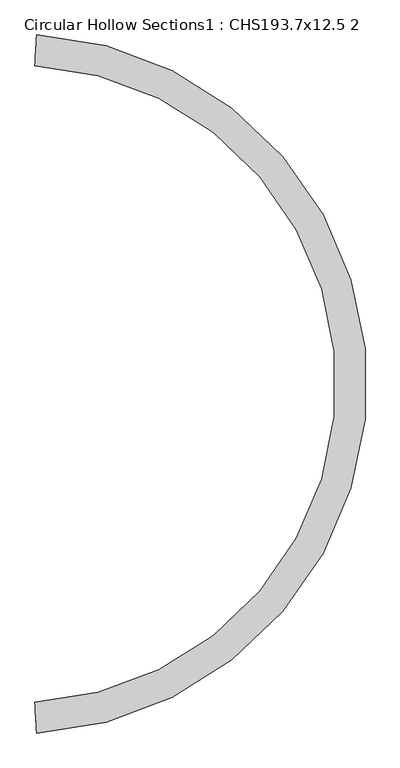
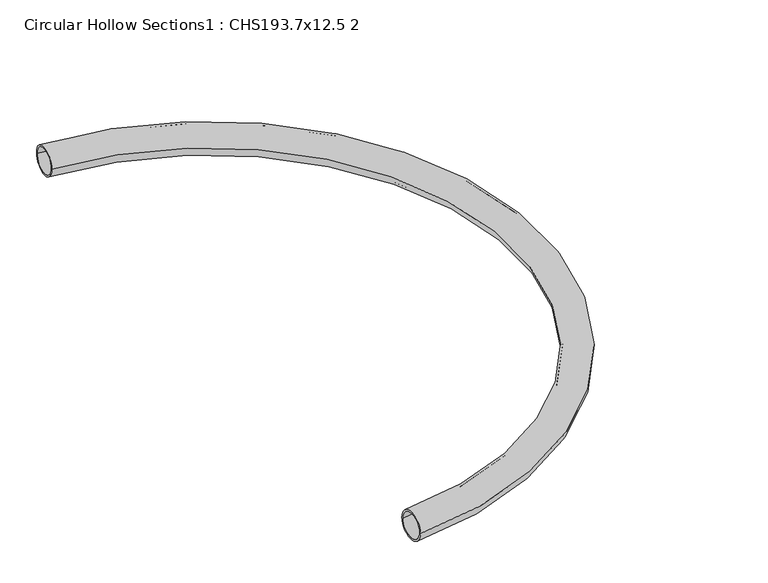
"""IFC4 building model written with IfcOpenShell, lengths in millimetres: beam geometry, Circular Hollow Sections1 : CHS193.7x12.5 2."""

from ifc_helpers import new_model, si_unit, point, frame, origin, place, context, project, spatial, circle_curve, ellipse_curve, trimmed, source, transform, mapped, element, save
from ifc_brep_helpers import plane_surface, revolved_surface, advanced_brep


def circular_hollow_sections1_chs193_7x12_5_2_6735570c(model_context):
    return source(origin(), model_context, "Body", "AdvancedBrep", [
        advanced_brep(
        [(112.0487616, -4120.0293524, 0.0), (122.8297989, -4313.4290919, 0.0), (122.1340685, -4300.9484685, 0.0), (112.7444919, -4132.5099758, 0.0), (112.0487616, -99.9706476, 0.0), (122.8297989, 93.4290919, 0.0), (122.1340685, 80.9484685, 0.0), (112.7444919, -87.4900242, 0.0)],
        [
            (0, 1, circle_curve(frame((117.4392802, -4216.7292221, 0.0), z_axis=(-0.9984498683172786, -0.055658426650500165, 0.0), x_axis=(0.055658426650500165, -0.9984498683172786, 0.0)), 96.85)),
            (1, 0, circle_curve(frame((117.4392802, -4216.7292221, 0.0), z_axis=(-0.9984498683172786, -0.055658426650500165, 0.0), x_axis=(0.055658426650500165, -0.9984498683172786, 0.0)), 96.85)),
            (2, 3, circle_curve(frame((117.4392802, -4216.7292221, 0.0), z_axis=(0.9984498683172786, 0.055658426650500165, 0.0), x_axis=(0.055658426650500165, -0.9984498683172786, 0.0)), 84.35)),
            (3, 2, circle_curve(frame((117.4392802, -4216.7292221, 0.0), z_axis=(0.9984498683172786, 0.055658426650500165, 0.0), x_axis=(0.055658426650500165, -0.9984498683172786, 0.0)), 84.35)),
            (4, 5, circle_curve(frame((117.4392802, -3.2707779, 0.0), z_axis=(-0.9984498683172799, 0.05565842665047631, 0.0), x_axis=(0.05565842665047631, 0.9984498683172799, 0.0)), 96.85)),
            (5, 4, circle_curve(frame((117.4392802, -3.2707779, 0.0), z_axis=(-0.9984498683172799, 0.05565842665047675, 0.0), x_axis=(0.05565842665047675, 0.9984498683172799, 0.0)), 96.85)),
            (6, 7, circle_curve(frame((117.4392802, -3.2707779, 0.0), z_axis=(0.9984498683172799, -0.05565842665047675, 0.0), x_axis=(0.05565842665047675, 0.9984498683172799, 0.0)), 84.35)),
            (7, 6, circle_curve(frame((117.4392802, -3.2707779, 0.0), z_axis=(0.9984498683172799, -0.05565842665047653, 0.0), x_axis=(0.05565842665047653, 0.9984498683172799, 0.0)), 84.35)),
            (0, 4, circle_curve(frame((0.0, -2110.0, 0.0), z_axis=(0.0, 0.0, 1.0), x_axis=(-1.0, 0.0, 0.0)), 2013.15)),
            (5, 1, circle_curve(frame((0.0, -2110.0, 0.0), z_axis=(0.0, 0.0, -1.0), x_axis=(-1.0, 0.0, 0.0)), 2206.85)),
            (2, 6, circle_curve(frame((0.0, -2110.0, 0.0), z_axis=(0.0, 0.0, 1.0), x_axis=(-1.0, 0.0, 0.0)), 2194.35)),
            (7, 3, circle_curve(frame((0.0, -2110.0, 0.0), z_axis=(0.0, 0.0, -1.0), x_axis=(-1.0, 0.0, 0.0)), 2025.65)),
        ],
        [
            plane_surface(frame((122.8297989, -4313.4290919, 0.0), z_axis=(-0.9984498683172793, -0.055658426650488084, 0.0), x_axis=(0.0, 0.0, 1.0))),
            plane_surface(frame((122.8297989, 93.4290919, 0.0), z_axis=(-0.9984498683172796, 0.05565842665048241, 0.0), x_axis=(0.0, 0.0, -1.0))),
            revolved_surface(trimmed(ellipse_curve(frame((-2110.0, -2110.0, 0.0), z_axis=(0.0, -1.0, 0.0), x_axis=(-1.0, 0.0, 0.0)), 96.85, 96.85), [point((-2206.85, -2110.0, 0.0))], [point((-2013.15, -2110.0, 0.0))], True, "CARTESIAN"), (0.0, -2110.0, 0.0), (0.0, 0.0, -1.0)),
            revolved_surface(trimmed(ellipse_curve(frame((-2110.0, -2110.0, 0.0), z_axis=(0.0, -1.0, 0.0), x_axis=(-1.0, 0.0, 0.0)), 96.85, 96.85), [point((-2013.15, -2110.0, 0.0))], [point((-2206.85, -2110.0, 0.0))], True, "CARTESIAN"), (0.0, -2110.0, 0.0), (0.0, 0.0, -1.0)),
            revolved_surface(trimmed(ellipse_curve(frame((-2110.0, -2110.0, 0.0), z_axis=(0.0, 1.0, 0.0), x_axis=(-1.0, 0.0, 0.0)), 84.35, 84.35), [point((-2025.65, -2110.0, 0.0))], [point((-2194.35, -2110.0, 0.0))], True, "CARTESIAN"), (0.0, -2110.0, 0.0), (0.0, 0.0, -1.0)),
            revolved_surface(trimmed(ellipse_curve(frame((-2110.0, -2110.0, 0.0), z_axis=(0.0, 1.0, 0.0), x_axis=(-1.0, 0.0, 0.0)), 84.35, 84.35), [point((-2194.35, -2110.0, 0.0))], [point((-2025.65, -2110.0, 0.0))], True, "CARTESIAN"), (0.0, -2110.0, 0.0), (0.0, 0.0, -1.0)),
        ],
        [
            (0, [[1, 2], [3, 4]]),
            (1, [[5, 6], [7, 8]]),
            (2, [[-1, 9, -6, 10]]),
            (3, [[-2, -10, -5, -9]]),
            (4, [[-3, 11, -8, 12]]),
            (5, [[-4, -12, -7, -11]]),
        ],
    ),
    ])


if __name__ == "__main__":
    model = new_model("IFC4")
    model_context = context("Model", 3, world=origin())
    ifc_project = project(units=[si_unit("LENGTHUNIT", "METRE", prefix="MILLI")], contexts=[model_context])
    site = spatial("IfcSite", under=ifc_project)
    building = spatial("IfcBuilding", under=site)
    placement = place(None, origin())
    circular_hollow_sections1_chs193_7x12_5_2_shape = circular_hollow_sections1_chs193_7x12_5_2_6735570c(model_context)
    element("IfcBeam", 1, ObjectType="Circular Hollow Sections1 : CHS193.7x12.5 2", at=placement, inside=building, context=model_context, shape_type="MappedRepresentation", body=[
        mapped(circular_hollow_sections1_chs193_7x12_5_2_shape, transform((0.0, 0.0, 0.0), x_axis=(1.0, 0.0, 0.0), y_axis=(0.0, 1.0, 0.0), z_axis=(0.0, 0.0, 1.0))),
    ])
    save(model, "model.ifc")
